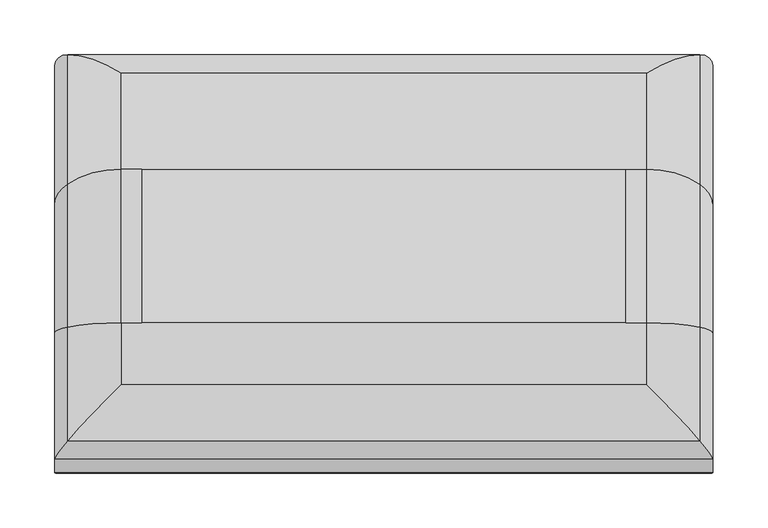
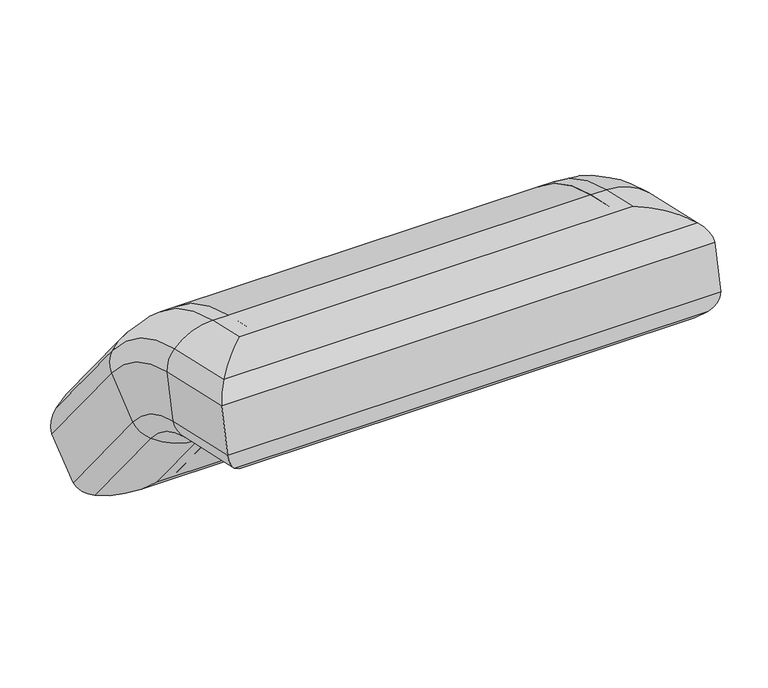
"""IFC4 building model written with IfcOpenShell, lengths in millimetres: furniture geometry."""

import ifcopenshell
import ifcopenshell.guid

model = None  # the IFC model being written
_history = None  # IfcOwnerHistory: only IFC2X3 demands one
_inside = {}  # id of a spatial element -> (the spatial element, [elements in it])
_under = {}  # id of a project, library or spatial element -> (it, [spatial elements below it])
_declared = {}  # id of a project -> (the project, [libraries it declares])
_typed = {}  # id of a type object -> (the type object, [elements of that type])
_made_of = {}  # id of a material, layer set ... -> (it, [elements and type objects made of it])


def new_model(schema):
    """Start an empty IFC model of exactly this schema.

    Asked for "IFC4X3", IfcOpenShell would pick the latest addendum, in which some entities
    have other attributes; the version numbers below select the first issue.
    IFC2X3 requires an IfcOwnerHistory on every rooted entity: one is made here for all.
    """
    global model, _history
    if schema == "IFC4X3":
        model = ifcopenshell.file(schema_version=(4, 3, 0, 0))
    else:
        model = ifcopenshell.file(schema=schema)
    _inside.clear()
    _under.clear()
    _declared.clear()
    _typed.clear()
    _made_of.clear()
    _history = None
    if model.schema == "IFC2X3":
        org = make("IfcOrganization", Name="unknown")
        user = make(
            "IfcPersonAndOrganization",
            ThePerson=make("IfcPerson", FamilyName="unknown"),
            TheOrganization=org,
        )
        app = make(
            "IfcApplication",
            ApplicationDeveloper=org,
            Version="unknown",
            ApplicationFullName="unknown",
            ApplicationIdentifier="unknown",
        )
        _history = make(
            "IfcOwnerHistory",
            OwningUser=user,
            OwningApplication=app,
            ChangeAction="ADDED",
            CreationDate=0,
        )
    return model


def make(cls, **values):
    """One entity of the class cls with the attributes given. An attribute that is None is left unset."""
    return model.create_entity(
        cls, **{name: value for name, value in values.items() if value is not None}
    )


def rooted(cls, **values):
    """An entity with a GlobalId (a new one), such as an element, a storey or a relation."""
    return make(cls, GlobalId=ifcopenshell.guid.new(), OwnerHistory=_history, **values)


def si_unit(unit_type, name, prefix=None):
    """IfcSIUnit, for example si_unit("LENGTHUNIT", "METRE", prefix="MILLI")."""
    return make("IfcSIUnit", UnitType=unit_type, Prefix=prefix, Name=name)


def assignment(units):
    """IfcUnitAssignment: the units of a project."""
    return None if units is None else make("IfcUnitAssignment", Units=units)


def point(xyz):
    """IfcCartesianPoint."""
    return None if xyz is None else make("IfcCartesianPoint", Coordinates=xyz)


def direction(xyz):
    """IfcDirection."""
    return None if xyz is None else make("IfcDirection", DirectionRatios=xyz)


def frame(location, z_axis=None, x_axis=None):
    """IfcAxis2Placement3D, a coordinate frame: its origin and axes. An axis left out is left unset."""
    return make(
        "IfcAxis2Placement3D",
        Location=point(location),
        Axis=direction(z_axis),
        RefDirection=direction(x_axis),
    )


def origin():
    """The frame at (0, 0, 0) with its axes left unset."""
    return frame((0.0, 0.0, 0.0))


def place(relative_to, where):
    """IfcLocalPlacement: puts the frame where relative to a parent placement (None: the world)."""
    return make(
        "IfcLocalPlacement", PlacementRelTo=relative_to, RelativePlacement=where
    )


def context(
    kind, dimensions, precision=None, world=None, true_north=None, identifier=None
):
    """IfcGeometricRepresentationContext, for example the 3D "Model" context."""
    return make(
        "IfcGeometricRepresentationContext",
        ContextIdentifier=identifier,
        ContextType=kind,
        CoordinateSpaceDimension=dimensions,
        Precision=precision,
        WorldCoordinateSystem=world,
        TrueNorth=true_north,
    )


def project(units=None, contexts=None):
    """IfcProject with its units and contexts."""
    return rooted(
        "IfcProject",
        Name="project",
        RepresentationContexts=contexts,
        UnitsInContext=assignment(units),
    )


def spatial(cls, under=None, at=None, **own):
    """A site, building, storey or space (cls), placed at a placement, below another one or the project."""
    s = rooted(cls, ObjectPlacement=at, **own)
    if under is not None:
        _under.setdefault(under.id(), (under, []))[1].append(s)
    return s


def polyline(points):
    """IfcPolyline through the points."""
    return make("IfcPolyline", Points=[point(p) for p in points])


def circle_curve(where, radius):
    """IfcCircle in the frame where."""
    return make("IfcCircle", Position=where, Radius=radius)


def ellipse_curve(where, semi_axis1, semi_axis2):
    """IfcEllipse in the frame where."""
    return make(
        "IfcEllipse", Position=where, SemiAxis1=semi_axis1, SemiAxis2=semi_axis2
    )


def trimmed(basis, trim1, trim2, sense, master):
    """IfcTrimmedCurve: the piece of a basis curve between two trims."""
    return make(
        "IfcTrimmedCurve",
        BasisCurve=basis,
        Trim1=trim1,
        Trim2=trim2,
        SenseAgreement=sense,
        MasterRepresentation=master,
    )


def shape(context_of_items, identifier, shape_type, items):
    """IfcShapeRepresentation: the items that make up one representation, for example the "Body"."""
    return make(
        "IfcShapeRepresentation",
        ContextOfItems=context_of_items,
        RepresentationIdentifier=identifier,
        RepresentationType=shape_type,
        Items=items,
    )


def source(mapping_origin, context_of_items, identifier, shape_type, items):
    """IfcRepresentationMap: a shape defined once, which mapped items show again and again."""
    return make(
        "IfcRepresentationMap",
        MappingOrigin=mapping_origin,
        MappedRepresentation=shape(context_of_items, identifier, shape_type, items),
    )


def transform(
    local_origin,
    x_axis=None,
    y_axis=None,
    z_axis=None,
    scale=None,
    scale2=None,
    scale3=None,
    uniform=True,
):
    """IfcCartesianTransformationOperator3D, or its non-uniform kind. x_axis, y_axis, z_axis: its Axis1, 2, 3."""
    if uniform:
        return make(
            "IfcCartesianTransformationOperator3D",
            Axis1=direction(x_axis),
            Axis2=direction(y_axis),
            LocalOrigin=point(local_origin),
            Scale=scale,
            Axis3=direction(z_axis),
        )
    return make(
        "IfcCartesianTransformationOperator3DnonUniform",
        Axis1=direction(x_axis),
        Axis2=direction(y_axis),
        LocalOrigin=point(local_origin),
        Scale=scale,
        Axis3=direction(z_axis),
        Scale2=scale2,
        Scale3=scale3,
    )


def mapped(mapping_source, mapping_target):
    """IfcMappedItem: shows the shape of a source again, moved by a transform."""
    return make(
        "IfcMappedItem", MappingSource=mapping_source, MappingTarget=mapping_target
    )


def made_of(thing, what):
    """Note that an element or type object is made of a material, layer set ...; save() writes the relation."""
    if what is not None:
        _made_of.setdefault(what.id(), (what, []))[1].append(thing)
    return thing


def element(
    cls,
    number,
    at=None,
    inside=None,
    cuts=None,
    type_object=None,
    material=None,
    context=None,
    identifier="Body",
    shape_type=None,
    held_by="IfcProductDefinitionShape",
    body=None,
    shapes=None,
    **own,
):
    """One element of the class cls, such as IfcWall. Its Tag is "e" and its number.

    at: its placement. inside: the storey or other place that contains it. cuts: it is an
    opening in that element (IfcRelVoidsElement). A single representation is given by context,
    identifier, shape_type and body (its items); several are given by shapes. held_by: the class
    of the entity that holds the representations. save() writes the other relations.
    """
    e = rooted(cls, Tag="e%d" % number, ObjectPlacement=at, **own)
    if body is not None:
        shapes = [shape(context, identifier, shape_type, body)]
    if shapes is not None:
        e.Representation = make(held_by, Representations=shapes)
    if inside is not None:
        _inside.setdefault(inside.id(), (inside, []))[1].append(e)
    if cuts is not None:
        rooted(
            "IfcRelVoidsElement", RelatingBuildingElement=cuts, RelatedOpeningElement=e
        )
    if type_object is not None:
        _typed.setdefault(type_object.id(), (type_object, []))[1].append(e)
    return made_of(e, material)


def aggregate(whole, parts):
    """IfcRelAggregates: a whole, such as a stair, and the parts it consists of."""
    return rooted("IfcRelAggregates", RelatingObject=whole, RelatedObjects=parts)


def save(model, path):
    """Write the relations noted so far, then the file.

    IfcRelAggregates (storeys below a building ...), IfcRelContainedInSpatialStructure (elements
    in a storey), IfcRelDefinesByType, IfcRelAssociatesMaterial and IfcRelDeclares: one each for
    every whole, place, type object, material and project.
    """
    for whole, parts in _under.values():
        aggregate(whole, parts)
    for where, things in _inside.values():
        rooted(
            "IfcRelContainedInSpatialStructure",
            RelatedElements=things,
            RelatingStructure=where,
        )
    for kind, things in _typed.values():
        rooted("IfcRelDefinesByType", RelatedObjects=things, RelatingType=kind)
    for what, things in _made_of.values():
        rooted("IfcRelAssociatesMaterial", RelatedObjects=things, RelatingMaterial=what)
    for by, libraries in _declared.values():
        rooted("IfcRelDeclares", RelatingContext=by, RelatedDefinitions=libraries)
    model.write(path)


def plane_surface(at):
    """IfcPlane: the flat surface through the origin of the frame at, square to its z axis."""
    return make("IfcPlane", Position=at)


def cylinder_surface(at, radius):
    """IfcCylindricalSurface: all points at the distance radius from the z axis of the frame at."""
    return make("IfcCylindricalSurface", Position=at, Radius=radius)


def revolved_surface(curve, axis_point, axis_direction):
    """IfcSurfaceOfRevolution: the curve turned about the line through axis_point along axis_direction."""
    return make(
        "IfcSurfaceOfRevolution",
        SweptCurve=make("IfcArbitraryOpenProfileDef", ProfileType="CURVE", Curve=curve),
        AxisPosition=make("IfcAxis1Placement", Location=point(axis_point), Axis=direction(axis_direction)),
    )


def advanced_brep(points, edges, surfaces, faces):
    """IfcAdvancedBrep: a solid bounded by faces that lie on surfaces and meet in shared edges.

    An edge is (start, end): straight between two places in points (the first is 0);
    or (start, end, curve); or (start, end, curve, False) where it runs against its curve.
    A face is (place in surfaces, loops), or (place, loops, False) where it looks against
    its surface's normal. A loop lists edges by number (the first is 1), with a minus sign
    where the edge is run from its end to its start. The first loop is the outer one.
    """
    corners = [point(p) for p in points]
    vertices = [make("IfcVertexPoint", VertexGeometry=c) for c in corners]
    made = []
    for start, end, *more in edges:
        made.append(
            make(
                "IfcEdgeCurve",
                EdgeStart=vertices[start],
                EdgeEnd=vertices[end],
                EdgeGeometry=more[0] if more else make("IfcPolyline", Points=[corners[start], corners[end]]),
                SameSense=more[1] if len(more) > 1 else True,
            )
        )
    hull = []
    for where, loops, *sense in faces:
        bounds = []
        for j, loop in enumerate(loops):
            ring = [make("IfcOrientedEdge", EdgeElement=made[abs(k) - 1], Orientation=k > 0) for k in loop]
            bounds.append(
                make(
                    "IfcFaceOuterBound" if j == 0 else "IfcFaceBound",
                    Bound=make("IfcEdgeLoop", EdgeList=ring),
                    Orientation=True,
                )
            )
        hull.append(make("IfcAdvancedFace", Bounds=bounds, FaceSurface=surfaces[where], SameSense=sense[0] if sense else True))
    return make("IfcAdvancedBrep", Outer=make("IfcClosedShell", CfsFaces=hull))


def furniture_d2ed75e9(model_context):
    return source(origin(), model_context, "Body", "AdvancedBrep", [
        advanced_brep(
        [(615.9786011, 39.7050483, 709.8244582), (615.2922792, 8.2790068, 573.7033175), (615.2922792, 46.9310995, 564.9795644), (615.9786011, 77.6876591, 701.2518068), (548.1505077, -30.4149091, 707.2292663), (597.2994374, 21.484207, 713.9368907), (597.2994374, 77.6876591, 701.2518068), (548.1505077, 73.731527, 683.723481), (536.2146165, 68.6767714, 661.3275147), (536.2146165, -47.1126901, 687.4611234), (536.2724202, 55.9709225, 605.0320596), (536.2724202, -59.7621536, 631.1529422), (548.0428978, 50.958398, 582.823205), (548.0428978, -53.2930075, 606.3526818), (597.5722685, 46.9310995, 564.9795644), (597.5722685, -9.0062158, 577.6045814), (615.2922792, 110.3801795, 525.6791827), (615.9786011, 218.6856146, 613.9176251), (597.2994374, 218.6856146, 613.9176251), (615.9786011, 77.6876591, 701.2518068), (615.9786011, 218.6856146, 613.9176251), (548.1505077, 204.7545827, 602.5677556), (536.2146165, 186.9548838, 588.0660115), (536.2724202, 142.2128025, 551.6138098), (548.0428978, 124.5618149, 537.2332235), (597.5722685, 110.3801795, 525.6791827), (615.2922792, 186.8409174, 431.8299118), (615.9786011, 294.7128523, 520.6004402), (1060.4786011, 218.6856146, 613.9176251), (1079.1577649, 218.6856146, 613.9176251), (1079.1577649, 306.5111366, 506.119016), (597.2994374, 306.5111366, 506.119016), (548.1505077, 323.6239487, 456.6653797), (536.2146165, 313.3632938, 432.9100788), (536.2724202, 268.584702, 396.5026906), (548.0428978, 243.4991503, 391.2474208), (597.5722685, 198.0333737, 418.0920917), (1078.8849338, 198.0333737, 418.0920917), (1078.8849338, 110.3801795, 525.6791827), (1061.1649231, 110.3801795, 525.6791827), (1061.1649231, 186.8409174, 431.8299118), (1060.4786011, 186.8409174, 431.8299118), (1060.4786011, 110.3801795, 525.6791827), (615.9786011, 110.3801795, 525.6791827), (615.9786011, 186.8409174, 431.8299118), (1060.4786011, 294.7128523, 520.6004402), (1128.3066946, 323.6239487, 456.6653797), (1140.2425858, 313.3632938, 432.9100788), (1140.1847821, 268.584702, 396.5026906), (1128.4143044, 243.4991503, 391.2474208), (1060.4786011, 218.6856146, 613.9176251), (1128.3066946, 204.7545827, 602.5677556), (1140.2425858, 186.9548838, 588.0660115), (1140.1847821, 142.2128025, 551.6138098), (1128.4143044, 124.5618149, 537.2332235), (1061.1649231, 46.9310995, 564.9795644), (1060.4786011, 77.6876591, 701.2518068), (1060.4786011, 77.6876591, 701.2518068), (1079.1577649, 77.6876591, 701.2518068), (1128.3066946, 73.731527, 683.723481), (1140.2425858, 68.6767714, 661.3275147), (1140.1847821, 55.9709225, 605.0320596), (1128.4143044, 50.958398, 582.823205), (1078.8849338, 46.9310995, 564.9795644), (1061.1649231, 8.2790068, 573.7033175), (1060.4786011, 39.7050483, 709.8244582), (1079.1577649, 21.484207, 713.9368907), (1128.3066946, -30.4149091, 707.2292663), (1140.2425858, -47.1126901, 687.4611234), (1140.1847821, -59.7621536, 631.1529422), (1128.4143044, -53.2930075, 606.3526818), (1078.8849338, -9.0062158, 577.6045814), (615.9786011, 8.2790068, 573.7033175), (615.9786011, 46.9310995, 564.9795644), (1060.4786011, 46.9310995, 564.9795644), (1060.4786011, 8.2790068, 573.7033175)],
        [
            (0, 1),
            (1, 2),
            (2, 3),
            (3, 0),
            (4, 5, ellipse_curve(frame((597.2994374, 4.7079018, 639.6065766), z_axis=(-0.7071067811865457, 0.6897568122696828, -0.15567767960619114), x_axis=(-0.707106781186549, -0.6897568122696794, 0.1556776796061913)), 107.7630735, 76.2)),
            (5, 6),
            (6, 7, circle_curve(frame((597.2994374, 60.9113539, 626.9214928), z_axis=(0.0, -0.9754634386510158, 0.220161485857849), x_axis=(-0.004912767759913869, -0.22015882901148728, -0.975451667034932)), 76.2)),
            (7, 4),
            (7, 8, circle_curve(frame((570.0816075, 68.0109447, 658.3774545), z_axis=(0.0, -0.9754634386510158, 0.220161485857849), x_axis=(-0.004912767759913869, -0.22015882901148728, -0.975451667034932)), 34.0017538)),
            (8, 9),
            (9, 4, ellipse_curve(frame((570.0816075, -14.7425053, 677.0548563), z_axis=(-0.7071067811865457, 0.6897568122696828, -0.15567767960619114), x_axis=(-0.707106781186549, -0.6897568122696794, 0.1556776796061913)), 48.0857414, 34.0017538)),
            (8, 10, circle_curve(frame((855.7694958, 62.3943067, 633.491971), z_axis=(0.0, -0.9754634386510158, 0.220161485857849), x_axis=(-0.004912767759913869, -0.22015882901148728, -0.975451667034932)), 320.8264449)),
            (10, 11),
            (11, 9, ellipse_curve(frame((855.7694958, 258.3189466, 589.2719028), z_axis=(-0.7071067811865457, 0.6897568122696828, -0.15567767960619114), x_axis=(-0.707106781186549, -0.6897568122696794, 0.1556776796061913)), 453.7171095, 320.8264449)),
            (10, 12, circle_curve(frame((570.1634371, 56.6522903, 608.0509772), z_axis=(0.0, -0.9754634386510158, 0.220161485857849), x_axis=(-0.004912767759913869, -0.22015882901148728, -0.975451667034932)), 34.0320313)),
            (12, 13),
            (13, 11, ellipse_curve(frame((570.1634371, -26.0213379, 626.7103632), z_axis=(-0.7071067811865457, 0.6897568122696828, -0.15567767960619114), x_axis=(-0.707106781186549, -0.6897568122696794, 0.1556776796061913)), 48.1285601, 34.0320313)),
            (12, 14, circle_curve(frame((597.5722685, 63.7074048, 639.3098785), z_axis=(0.0, -0.9754634386510158, 0.220161485857849), x_axis=(-0.004912767759913869, -0.22015882901148728, -0.975451667034932)), 76.2)),
            (14, 15),
            (15, 13, ellipse_curve(frame((597.5722685, 7.7700894, 651.9348954), z_axis=(-0.7071067811865457, 0.6897568122696828, -0.15567767960619114), x_axis=(-0.707106781186549, -0.6897568122696794, 0.1556776796061913)), 107.7630735, 76.2)),
            (2, 16, circle_curve(frame((615.2922792, 21.7666417, 453.4840934), z_axis=(-1.0, 0.0, 0.0), x_axis=(0.0, 0.22016148585784867, 0.9754634386510159)), 114.3)),
            (16, 17),
            (17, 3, circle_curve(frame((615.9786011, 21.7666417, 453.4840934), z_axis=(1.0, 0.0, 0.0), x_axis=(0.0, 0.22016148585784867, 0.9754634386510159)), 254.0)),
            (18, 6, circle_curve(frame((597.2994374, 21.7666417, 453.4840934), z_axis=(1.0, 0.0, 0.0), x_axis=(0.0, 0.22016148585784867, 0.9754634386510159)), 254.0)),
            (6, 19),
            (19, 20, circle_curve(frame((615.9786011, 21.7666417, 453.4840934), z_axis=(-1.0, 0.0, 0.0), x_axis=(0.0, 0.22016148585784867, 0.9754634386510159)), 254.0)),
            (20, 18),
            (18, 21, circle_curve(frame((597.2994374, 159.6099227, 565.7875656), z_axis=(0.0, -0.6316280777099305, 0.775271546910151), x_axis=(-0.004912767759914781, -0.7752621911530315, -0.6316204554014522)), 76.2)),
            (21, 7, circle_curve(frame((548.1505077, 21.7666417, 453.4840934), z_axis=(1.0, 0.0, 0.0), x_axis=(0.0, 0.22016148585784867, 0.9754634386510159)), 236.0307711)),
            (21, 22, circle_curve(frame((570.0816075, 184.6102571, 586.1558007), z_axis=(0.0, -0.6316280777099303, 0.7752715469101511), x_axis=(-0.004912767759914781, -0.7752621911530315, -0.6316204554014521)), 34.0017538)),
            (22, 8, circle_curve(frame((536.2146165, 21.7666417, 453.4840934), z_axis=(1.0, 0.0, 0.0), x_axis=(0.0, 0.22016148585784867, 0.9754634386510159)), 213.0714623)),
            (22, 23, circle_curve(frame((855.7694958, 164.8319584, 570.0420547), z_axis=(0.0, -0.6316280777099305, 0.775271546910151), x_axis=(-0.004912767759914781, -0.7752621911530315, -0.6316204554014522)), 320.8264449)),
            (23, 10, circle_curve(frame((536.2724202, 21.7666417, 453.4840934), z_axis=(1.0, 0.0, 0.0), x_axis=(0.0, 0.22016148585784867, 0.9754634386510159)), 155.3599655)),
            (23, 24, circle_curve(frame((570.1634371, 144.6121552, 553.5686069), z_axis=(0.0, -0.6316280777099306, 0.7752715469101509), x_axis=(-0.004912767759914781, -0.7752621911530314, -0.6316204554014523)), 34.0320313)),
            (24, 12, circle_curve(frame((548.0428978, 21.7666417, 453.4840934), z_axis=(1.0, 0.0, 0.0), x_axis=(0.0, 0.22016148585784867, 0.9754634386510159)), 132.592475)),
            (24, 25, circle_curve(frame((597.5722685, 169.4558714, 573.8092422), z_axis=(0.0, -0.6316280777099301, 0.7752715469101512), x_axis=(-0.004912767759914781, -0.7752621911530317, -0.6316204554014518)), 76.2)),
            (25, 14, circle_curve(frame((597.5722685, 21.7666417, 453.4840934), z_axis=(1.0, 0.0, 0.0), x_axis=(0.0, 0.22016148585784867, 0.9754634386510159)), 114.3)),
            (2, 14),
            (25, 16),
            (16, 26),
            (26, 27),
            (27, 17),
            (20, 28),
            (28, 29),
            (29, 30),
            (30, 31),
            (31, 18),
            (31, 32, ellipse_curve(frame((597.2994374, 247.4354447, 457.9889565), z_axis=(-0.7071067811865481, -0.44662849693651435, 0.5481997680811522), x_axis=(0.7071067811865468, -0.44662849693651635, 0.5481997680811523)), 107.7630735, 76.2)),
            (32, 21),
            (32, 33, ellipse_curve(frame((570.0816075, 289.6273246, 457.2559825), z_axis=(-0.7071067811865481, -0.44662849693651435, 0.5481997680811522), x_axis=(0.7071067811865468, -0.44662849693651635, 0.5481997680811523)), 48.0857414, 34.0017538)),
            (33, 22),
            (33, 34, ellipse_curve(frame((855.7694958, 89.4005342, 662.6279276), z_axis=(-0.7071067811865481, -0.44662849693651435, 0.5481997680811522), x_axis=(0.7071067811865468, -0.44662849693651635, 0.5481997680811523)), 453.7171095, 320.8264449)),
            (34, 23),
            (34, 35, ellipse_curve(frame((570.1634371, 249.5775369, 424.7322288), z_axis=(-0.7071067811865481, -0.44662849693651435, 0.5481997680811522), x_axis=(0.7071067811865468, -0.44662849693651635, 0.5481997680811523)), 48.1285601, 34.0320313)),
            (35, 24),
            (35, 36, ellipse_curve(frame((597.5722685, 257.1090656, 466.2221512), z_axis=(-0.7071067811865481, -0.44662849693651435, 0.5481997680811522), x_axis=(0.7071067811865468, -0.44662849693651635, 0.5481997680811523)), 107.7630735, 76.2)),
            (36, 25),
            (36, 37),
            (37, 38),
            (38, 39),
            (39, 40),
            (40, 41),
            (41, 42),
            (42, 43),
            (43, 44),
            (44, 26),
            (44, 27),
            (40, 45),
            (45, 41),
            (30, 46, ellipse_curve(frame((1079.1577649, 247.4354447, 457.9889565), z_axis=(-0.7071067811865469, 0.4466284969365162, -0.5481997680811523), x_axis=(-0.7071067811865481, -0.44662849693651424, 0.5481997680811523)), 107.7630735, 76.2)),
            (46, 32),
            (46, 47, ellipse_curve(frame((1106.3755948, 289.6273246, 457.2559825), z_axis=(-0.7071067811865469, 0.4466284969365162, -0.5481997680811523), x_axis=(-0.7071067811865481, -0.44662849693651424, 0.5481997680811523)), 48.0857414, 34.0017538)),
            (47, 33),
            (47, 48, ellipse_curve(frame((820.6877065, 89.4005342, 662.6279276), z_axis=(-0.7071067811865469, 0.4466284969365162, -0.5481997680811523), x_axis=(-0.7071067811865481, -0.44662849693651424, 0.5481997680811523)), 453.7171095, 320.8264449)),
            (48, 34),
            (48, 49, ellipse_curve(frame((1106.2937652, 249.5775369, 424.7322288), z_axis=(-0.7071067811865469, 0.4466284969365162, -0.5481997680811523), x_axis=(-0.7071067811865481, -0.44662849693651424, 0.5481997680811523)), 48.1285601, 34.0320313)),
            (49, 35),
            (49, 37, ellipse_curve(frame((1078.8849338, 257.1090656, 466.2221512), z_axis=(-0.7071067811865469, 0.4466284969365162, -0.5481997680811523), x_axis=(-0.7071067811865481, -0.44662849693651424, 0.5481997680811523)), 107.7630735, 76.2)),
            (39, 50),
            (50, 45),
            (29, 51, circle_curve(frame((1079.1577649, 159.6099227, 565.7875656), z_axis=(0.0, 0.6316280777099301, -0.775271546910151), x_axis=(0.004912767759911785, -0.7752621911530316, -0.631620455401452)), 76.2)),
            (51, 46),
            (51, 52, circle_curve(frame((1106.3755948, 184.6102571, 586.1558007), z_axis=(0.0, 0.6316280777099301, -0.775271546910151), x_axis=(0.004912767759911785, -0.7752621911530316, -0.631620455401452)), 34.0017538)),
            (52, 47),
            (52, 53, circle_curve(frame((820.6877065, 164.8319584, 570.0420547), z_axis=(0.0, 0.6316280777099301, -0.775271546910151), x_axis=(0.004912767759911785, -0.7752621911530316, -0.631620455401452)), 320.8264449)),
            (53, 48),
            (53, 54, circle_curve(frame((1106.2937652, 144.6121552, 553.5686069), z_axis=(0.0, 0.6316280777099301, -0.775271546910151), x_axis=(0.004912767759911785, -0.7752621911530316, -0.631620455401452)), 34.0320312)),
            (54, 49),
            (54, 38, circle_curve(frame((1078.8849338, 169.4558714, 573.8092422), z_axis=(0.0, 0.6316280777099301, -0.775271546910151), x_axis=(0.004912767759911785, -0.7752621911530316, -0.631620455401452)), 76.2)),
            (39, 55, circle_curve(frame((1061.1649231, 21.7666417, 453.4840934), z_axis=(1.0, 0.0, 0.0), x_axis=(0.0, 0.7752715469101549, 0.6316280777099254)), 114.3)),
            (55, 56),
            (56, 50, circle_curve(frame((1060.4786011, 21.7666417, 453.4840934), z_axis=(-1.0, 0.0, 0.0), x_axis=(0.0, 0.7752715469101549, 0.6316280777099254)), 254.0)),
            (28, 57, circle_curve(frame((1060.4786011, 21.7666417, 453.4840934), z_axis=(1.0, 0.0, 0.0), x_axis=(0.0, 0.7752715469101549, 0.6316280777099254)), 254.0)),
            (57, 58),
            (58, 29, circle_curve(frame((1079.1577649, 21.7666417, 453.4840934), z_axis=(-1.0, 0.0, 0.0), x_axis=(0.0, 0.7752715469101549, 0.6316280777099254)), 254.0)),
            (58, 59, circle_curve(frame((1079.1577649, 60.9113539, 626.9214928), z_axis=(0.0, 0.9754634386510159, -0.22016148585784945), x_axis=(0.004912767759912694, -0.2201588290114877, -0.975451667034932)), 76.2)),
            (59, 51, circle_curve(frame((1128.3066946, 21.7666417, 453.4840934), z_axis=(-1.0, 0.0, 0.0), x_axis=(0.0, 0.7752715469101549, 0.6316280777099254)), 236.0307711)),
            (59, 60, circle_curve(frame((1106.3755948, 68.0109447, 658.3774545), z_axis=(0.0, 0.975463438651016, -0.22016148585784906), x_axis=(0.004912767759912694, -0.22015882901148726, -0.9754516670349321)), 34.0017538)),
            (60, 52, circle_curve(frame((1140.2425858, 21.7666417, 453.4840934), z_axis=(-1.0, 0.0, 0.0), x_axis=(0.0, 0.7752715469101549, 0.6316280777099254)), 213.0714623)),
            (60, 61, circle_curve(frame((820.6877065, 62.3943067, 633.491971), z_axis=(0.0, 0.9754634386510161, -0.22016148585784817), x_axis=(0.004912767759912694, -0.22015882901148642, -0.9754516670349322)), 320.8264449)),
            (61, 53, circle_curve(frame((1140.1847821, 21.7666417, 453.4840934), z_axis=(-1.0, 0.0, 0.0), x_axis=(0.0, 0.7752715469101549, 0.6316280777099254)), 155.3599655)),
            (61, 62, circle_curve(frame((1106.2937652, 56.6522903, 608.0509772), z_axis=(0.0, 0.9754634386510168, -0.22016148585784562), x_axis=(0.004912767759912694, -0.22015882901148387, -0.9754516670349329)), 34.0320313)),
            (62, 54, circle_curve(frame((1128.4143044, 21.7666417, 453.4840934), z_axis=(-1.0, 0.0, 0.0), x_axis=(0.0, 0.7752715469101549, 0.6316280777099254)), 132.592475)),
            (62, 63, circle_curve(frame((1078.8849338, 63.7074048, 639.3098785), z_axis=(0.0, 0.9754634386510173, -0.22016148585784384), x_axis=(0.004912767759912694, -0.22015882901148204, -0.9754516670349334)), 76.2)),
            (63, 38, circle_curve(frame((1078.8849338, 21.7666417, 453.4840934), z_axis=(-1.0, 0.0, 0.0), x_axis=(0.0, 0.7752715469101549, 0.6316280777099254)), 114.3)),
            (63, 55),
            (55, 64),
            (64, 65),
            (65, 56),
            (5, 66),
            (66, 58),
            (57, 19),
            (66, 67, ellipse_curve(frame((1079.1577649, 4.7079018, 639.6065766), z_axis=(0.7071067811865492, 0.6897568122696793, -0.15567767960619158), x_axis=(-0.7071067811865459, 0.6897568122696827, -0.15567767960619144)), 107.7630735, 76.2)),
            (67, 59),
            (67, 68, ellipse_curve(frame((1106.3755948, -14.7425053, 677.0548563), z_axis=(0.7071067811865492, 0.6897568122696793, -0.15567767960619158), x_axis=(-0.7071067811865459, 0.6897568122696827, -0.15567767960619144)), 48.0857414, 34.0017538)),
            (68, 60),
            (68, 69, ellipse_curve(frame((820.6877065, 258.3189466, 589.2719028), z_axis=(0.7071067811865492, 0.6897568122696793, -0.15567767960619158), x_axis=(-0.7071067811865459, 0.6897568122696827, -0.15567767960619144)), 453.7171095, 320.8264449)),
            (69, 61),
            (69, 70, ellipse_curve(frame((1106.2937652, -26.0213379, 626.7103632), z_axis=(0.7071067811865492, 0.6897568122696793, -0.15567767960619158), x_axis=(-0.7071067811865459, 0.6897568122696827, -0.15567767960619144)), 48.1285601, 34.0320313)),
            (70, 62),
            (70, 71, ellipse_curve(frame((1078.8849338, 7.7700894, 651.9348954), z_axis=(0.7071067811865492, 0.6897568122696793, -0.15567767960619158), x_axis=(-0.7071067811865459, 0.6897568122696827, -0.15567767960619144)), 107.7630735, 76.2)),
            (71, 63),
            (1, 72),
            (72, 73),
            (73, 74),
            (74, 75),
            (75, 64),
            (71, 15),
            (0, 72),
            (75, 65),
            (4, 67),
            (9, 68),
            (11, 69),
            (13, 70),
            (74, 42, circle_curve(frame((1060.4786011, 21.7666417, 453.4840934), z_axis=(-1.0, 0.0, 0.0), x_axis=(0.0, 1.0, 0.0)), 114.3)),
            (43, 73, circle_curve(frame((615.9786011, 21.7666417, 453.4840934), z_axis=(1.0, 0.0, 0.0), x_axis=(0.0, 1.0, 0.0)), 114.3)),
        ],
        [
            plane_surface(frame((615.2922792, 8.2790068, 573.7033175), z_axis=(0.9999879322836538, -0.0010816022496983094, -0.00479222533236896), x_axis=(0.0, 0.975463438651016, -0.22016148585784845))),
            cylinder_surface(frame((597.2994374, 22.9287431, 635.4941442), z_axis=(0.0, -0.9754634386510158, 0.220161485857849), x_axis=(-0.004912767759913869, -0.22015882901148728, -0.975451667034932)), 76.2),
            cylinder_surface(frame((570.0816075, 30.0283339, 666.9501059), z_axis=(0.0, -0.9754634386510158, 0.220161485857849), x_axis=(-0.004912767759913869, -0.22015882901148728, -0.975451667034932)), 34.0017538),
            cylinder_surface(frame((855.7694958, 24.4116959, 642.0646224), z_axis=(0.0, -0.9754634386510158, 0.220161485857849), x_axis=(-0.004912767759913869, -0.22015882901148728, -0.975451667034932)), 320.8264449),
            cylinder_surface(frame((570.1634371, 18.6696796, 616.6236286), z_axis=(0.0, -0.9754634386510158, 0.220161485857849), x_axis=(-0.004912767759913869, -0.22015882901148728, -0.975451667034932)), 34.0320313),
            cylinder_surface(frame((597.5722685, 25.724794, 647.8825299), z_axis=(0.0, -0.9754634386510158, 0.220161485857849), x_axis=(-0.004912767759913869, -0.22015882901148728, -0.975451667034932)), 76.2),
            revolved_surface(polyline([(615.2922792, 46.9310995, 564.9795644), (615.9786011, 77.6876591, 701.2518068)]), (615.9786011, 21.7666417, 453.4840934), (-1.0, 0.0, 0.0)),
            cylinder_surface(frame((615.9786011, 21.7666417, 453.4840934), z_axis=(-1.0, 0.0, 0.0), x_axis=(0.0, 0.22016148585784867, 0.9754634386510159)), 254.0),
            revolved_surface(trimmed(ellipse_curve(frame((597.2994374, 60.9113539, 626.9214928), z_axis=(0.0, -0.9754634386510161, 0.22016148585784864), x_axis=(-0.004912767759913872, -0.2201588290114869, -0.9754516670349321)), 76.2, 76.2), [point((597.2994374, 77.6876591, 701.2518068))], [point((548.1505077, 73.731527, 683.723481))], True, "CARTESIAN"), (615.9786011, 21.7666417, 453.4840934), (-1.0, 0.0, 0.0)),
            revolved_surface(trimmed(ellipse_curve(frame((570.0816075, 68.0109447, 658.3774545), z_axis=(0.0, -0.9754634386510161, 0.22016148585784864), x_axis=(-0.004912767759913872, -0.2201588290114869, -0.9754516670349321)), 34.0017538, 34.0017538), [point((548.1505077, 73.731527, 683.723481))], [point((536.2146165, 68.6767714, 661.3275147))], True, "CARTESIAN"), (615.9786011, 21.7666417, 453.4840934), (-1.0, 0.0, 0.0)),
            revolved_surface(trimmed(ellipse_curve(frame((855.7694958, 62.3943067, 633.491971), z_axis=(0.0, -0.9754634386510161, 0.22016148585784864), x_axis=(-0.004912767759913872, -0.2201588290114869, -0.9754516670349321)), 320.8264449, 320.8264449), [point((536.2146165, 68.6767714, 661.3275147))], [point((536.2724202, 55.9709225, 605.0320596))], True, "CARTESIAN"), (615.9786011, 21.7666417, 453.4840934), (-1.0, 0.0, 0.0)),
            revolved_surface(trimmed(ellipse_curve(frame((570.1634371, 56.6522903, 608.0509772), z_axis=(0.0, -0.9754634386510161, 0.22016148585784864), x_axis=(-0.004912767759913872, -0.2201588290114869, -0.9754516670349321)), 34.0320313, 34.0320313), [point((536.2724202, 55.9709225, 605.0320596))], [point((548.0428978, 50.958398, 582.823205))], True, "CARTESIAN"), (615.9786011, 21.7666417, 453.4840934), (-1.0, 0.0, 0.0)),
            revolved_surface(trimmed(ellipse_curve(frame((597.5722685, 63.7074048, 639.3098785), z_axis=(0.0, -0.9754634386510161, 0.22016148585784864), x_axis=(-0.004912767759913872, -0.2201588290114869, -0.9754516670349321)), 76.2, 76.2), [point((548.0428978, 50.958398, 582.823205))], [point((597.5722685, 46.9310995, 564.9795644))], True, "CARTESIAN"), (615.9786011, 21.7666417, 453.4840934), (-1.0, 0.0, 0.0)),
            revolved_surface(polyline([(597.5722685, 46.9310995335521, 564.9795644378112), (615.2922792, 46.9310995335521, 564.9795644378112)]), (615.9786011, 21.7666417, 453.4840934), (-1.0, 0.0, 0.0)),
            plane_surface(frame((615.2922792, 110.3801795, 525.6791827), z_axis=(0.9999879322836538, -0.0038087290608324292, -0.00310304205642313), x_axis=(0.0, 0.6316280777099301, -0.7752715469101511))),
            plane_surface(frame((615.9786011, 218.6856146, 613.9176251), z_axis=(0.0, 0.7752715469101509, 0.6316280777099305), x_axis=(0.0, 0.6316280777099305, -0.7752715469101509))),
            cylinder_surface(frame((597.2994374, 159.6099227, 565.7875656), z_axis=(0.0, -0.6316280777099303, 0.7752715469101509), x_axis=(-0.004912767759914779, -0.7752621911530314, -0.6316204554014522)), 76.2),
            cylinder_surface(frame((570.0816075, 184.6102571, 586.1558007), z_axis=(0.0, -0.6316280777099303, 0.7752715469101509), x_axis=(-0.004912767759914779, -0.7752621911530314, -0.6316204554014522)), 34.0017538),
            cylinder_surface(frame((855.7694958, 164.8319584, 570.0420547), z_axis=(0.0, -0.6316280777099303, 0.7752715469101509), x_axis=(-0.004912767759914779, -0.7752621911530314, -0.6316204554014522)), 320.8264449),
            cylinder_surface(frame((570.1634371, 144.6121552, 553.5686069), z_axis=(0.0, -0.6316280777099303, 0.7752715469101509), x_axis=(-0.004912767759914779, -0.7752621911530314, -0.6316204554014522)), 34.0320313),
            cylinder_surface(frame((597.5722685, 169.4558714, 573.8092422), z_axis=(0.0, -0.6316280777099303, 0.7752715469101509), x_axis=(-0.004912767759914779, -0.7752621911530314, -0.6316204554014522)), 76.2),
            plane_surface(frame((597.5722685, 110.3801795, 525.6791827), z_axis=(0.0, -0.7752715469101515, -0.6316280777099295), x_axis=(0.0, 0.6316280777099295, -0.7752715469101515))),
            plane_surface(frame((615.2922792, 186.8409174, 431.8299118), z_axis=(0.0, -0.6354291844622827, 0.7721591490966085), x_axis=(1.0, 0.0, 0.0))),
            cylinder_surface(frame((615.9786011, 247.4354447, 457.9889565), z_axis=(-1.0, 0.0, 0.0), x_axis=(0.0, -0.7721591490966022, -0.6354291844622904)), 76.2),
            cylinder_surface(frame((615.9786011, 289.6273246, 457.2559825), z_axis=(-1.0, 0.0, 0.0), x_axis=(0.0, -0.7721591490966022, -0.6354291844622904)), 34.0017538),
            cylinder_surface(frame((615.9786011, 89.4005342, 662.6279276), z_axis=(-1.0, 0.0, 0.0), x_axis=(0.0, -0.7721591490966022, -0.6354291844622904)), 320.8264449),
            cylinder_surface(frame((615.9786011, 249.5775369, 424.7322288), z_axis=(-1.0, 0.0, 0.0), x_axis=(0.0, -0.7721591490966022, -0.6354291844622904)), 34.0320313),
            cylinder_surface(frame((615.9786011, 257.1090656, 466.2221512), z_axis=(-1.0, 0.0, 0.0), x_axis=(0.0, -0.7721591490966022, -0.6354291844622904)), 76.2),
            plane_surface(frame((1061.1649231, 186.8409174, 431.8299118), z_axis=(-0.9999879322836539, -0.0038087290608287186, -0.0031030420564229877), x_axis=(0.0, -0.6316280777099296, 0.7752715469101515))),
            cylinder_surface(frame((1079.1577649, 235.6371604, 472.4703807), z_axis=(0.0, 0.6316280777099302, -0.7752715469101512), x_axis=(0.004912767759911785, -0.7752621911530316, -0.631620455401452)), 76.2),
            cylinder_surface(frame((1106.3755948, 260.6374948, 492.8386158), z_axis=(0.0, 0.6316280777099302, -0.7752715469101512), x_axis=(0.004912767759911785, -0.7752621911530316, -0.631620455401452)), 34.0017538),
            cylinder_surface(frame((820.6877065, 240.859196, 476.7248697), z_axis=(0.0, 0.6316280777099302, -0.7752715469101512), x_axis=(0.004912767759911785, -0.7752621911530316, -0.631620455401452)), 320.8264449),
            cylinder_surface(frame((1106.2937652, 220.6393929, 460.2514219), z_axis=(0.0, 0.6316280777099302, -0.7752715469101512), x_axis=(0.004912767759911785, -0.7752621911530316, -0.631620455401452)), 34.0320313),
            cylinder_surface(frame((1078.8849338, 245.483109, 480.4920572), z_axis=(0.0, 0.6316280777099302, -0.7752715469101512), x_axis=(0.004912767759911785, -0.7752621911530316, -0.631620455401452)), 76.2),
            revolved_surface(polyline([(1061.1649231, 110.3801795, 525.6791827), (1060.4786011, 218.6856146, 613.9176251)]), (1060.4786011, 21.7666417, 453.4840934), (1.0, 0.0, 0.0)),
            cylinder_surface(frame((1060.4786011, 21.7666417, 453.4840934), z_axis=(1.0, 0.0, 0.0), x_axis=(0.0, 0.7752715469101549, 0.6316280777099254)), 254.0),
            revolved_surface(trimmed(ellipse_curve(frame((1079.1577649, 159.6099227, 565.7875656), z_axis=(0.0, 0.6316280777099252, -0.7752715469101552), x_axis=(0.004912767759911785, -0.7752621911530356, -0.6316204554014471)), 76.2, 76.2), [point((1079.1577649, 218.6856146, 613.9176251))], [point((1128.3066946, 204.7545827, 602.5677556))], True, "CARTESIAN"), (1060.4786011, 21.7666417, 453.4840934), (1.0, 0.0, 0.0)),
            revolved_surface(trimmed(ellipse_curve(frame((1106.3755948, 184.6102571, 586.1558007), z_axis=(0.0, 0.6316280777099252, -0.7752715469101552), x_axis=(0.004912767759911785, -0.7752621911530356, -0.6316204554014471)), 34.0017538, 34.0017538), [point((1128.3066946, 204.7545827, 602.5677556))], [point((1140.2425858, 186.9548838, 588.0660115))], True, "CARTESIAN"), (1060.4786011, 21.7666417, 453.4840934), (1.0, 0.0, 0.0)),
            revolved_surface(trimmed(ellipse_curve(frame((820.6877065, 164.8319584, 570.0420547), z_axis=(0.0, 0.6316280777099252, -0.7752715469101552), x_axis=(0.004912767759911785, -0.7752621911530356, -0.6316204554014471)), 320.8264449, 320.8264449), [point((1140.2425858, 186.9548838, 588.0660115))], [point((1140.1847821, 142.2128025, 551.6138098))], True, "CARTESIAN"), (1060.4786011, 21.7666417, 453.4840934), (1.0, 0.0, 0.0)),
            revolved_surface(trimmed(ellipse_curve(frame((1106.2937652, 144.6121552, 553.5686069), z_axis=(0.0, 0.6316280777099252, -0.7752715469101552), x_axis=(0.004912767759911785, -0.7752621911530356, -0.6316204554014471)), 34.0320313, 34.0320313), [point((1140.1847821, 142.2128025, 551.6138098))], [point((1128.4143044, 124.5618149, 537.2332235))], True, "CARTESIAN"), (1060.4786011, 21.7666417, 453.4840934), (1.0, 0.0, 0.0)),
            revolved_surface(trimmed(ellipse_curve(frame((1078.8849338, 169.4558714, 573.8092422), z_axis=(0.0, 0.6316280777099252, -0.7752715469101552), x_axis=(0.004912767759911785, -0.7752621911530356, -0.6316204554014471)), 76.2, 76.2), [point((1128.4143044, 124.5618149, 537.2332235))], [point((1078.8849338, 110.3801795, 525.6791827))], True, "CARTESIAN"), (1060.4786011, 21.7666417, 453.4840934), (1.0, 0.0, 0.0)),
            revolved_surface(polyline([(1078.8849338, 110.3801795118307, 525.6791826822445), (1061.1649231, 110.3801795118307, 525.6791826822445)]), (1060.4786011, 21.7666417, 453.4840934), (1.0, 0.0, 0.0)),
            plane_surface(frame((1061.1649231, 46.9310995, 564.9795644), z_axis=(-0.9999879322836538, -0.0010816022496914007, -0.0047922253323693445), x_axis=(0.0, -0.9754634386510156, 0.22016148585785003))),
            plane_surface(frame((1060.4786011, 77.6876591, 701.2518068), z_axis=(0.0, 0.220161485857851, 0.9754634386510155), x_axis=(0.0, -0.9754634386510155, 0.220161485857851))),
            cylinder_surface(frame((1079.1577649, 60.9113539, 626.9214928), z_axis=(0.0, 0.9754634386510157, -0.22016148585784942), x_axis=(0.004912767759912695, -0.22015882901148773, -0.9754516670349319)), 76.2),
            cylinder_surface(frame((1106.3755948, 68.0109447, 658.3774545), z_axis=(0.0, 0.9754634386510157, -0.22016148585784942), x_axis=(0.004912767759912695, -0.22015882901148773, -0.9754516670349319)), 34.0017538),
            cylinder_surface(frame((820.6877065, 62.3943067, 633.491971), z_axis=(0.0, 0.9754634386510157, -0.22016148585784942), x_axis=(0.004912767759912695, -0.22015882901148773, -0.9754516670349319)), 320.8264449),
            cylinder_surface(frame((1106.2937652, 56.6522903, 608.0509772), z_axis=(0.0, 0.9754634386510157, -0.22016148585784942), x_axis=(0.004912767759912695, -0.22015882901148773, -0.9754516670349319)), 34.0320313),
            cylinder_surface(frame((1078.8849338, 63.7074048, 639.3098785), z_axis=(0.0, 0.9754634386510157, -0.22016148585784942), x_axis=(0.004912767759912695, -0.22015882901148773, -0.9754516670349319)), 76.2),
            plane_surface(frame((1078.8849338, 46.9310995, 564.9795644), z_axis=(0.0, -0.22016148585784912, -0.9754634386510159), x_axis=(0.0, -0.9754634386510159, 0.22016148585784912))),
            plane_surface(frame((1061.1649231, 8.2790068, 573.7033175), z_axis=(0.0, 0.9743700647852372, -0.22495105434385643), x_axis=(-1.0, 0.0, 0.0))),
            cylinder_surface(frame((1060.4786011, 4.7079018, 639.6065766), z_axis=(1.0000000000000002, 0.0, 0.0), x_axis=(0.0, -0.2249510543438661, -0.974370064785235)), 76.2),
            cylinder_surface(frame((1060.4786011, -14.7425053, 677.0548563), z_axis=(1.0000000000000002, 0.0, 0.0), x_axis=(0.0, -0.2249510543438661, -0.974370064785235)), 34.0017538),
            cylinder_surface(frame((1060.4786011, 258.3189466, 589.2719028), z_axis=(1.0000000000000002, 0.0, 0.0), x_axis=(0.0, -0.2249510543438661, -0.974370064785235)), 320.8264449),
            cylinder_surface(frame((1060.4786011, -26.0213379, 626.7103632), z_axis=(1.0000000000000002, 0.0, 0.0), x_axis=(0.0, -0.2249510543438661, -0.974370064785235)), 34.0320313),
            cylinder_surface(frame((1060.4786011, 7.7700894, 651.9348954), z_axis=(1.0000000000000002, 0.0, 0.0), x_axis=(0.0, -0.2249510543438661, -0.974370064785235)), 76.2),
            plane_surface(frame((1060.4786011, 3.9319334, 717.8984278), z_axis=(1.0000000000000002, 0.0, 0.0), x_axis=(0.0, -0.9754634386510158, 0.2201614858578494))),
            plane_surface(frame((615.9786011, 3.9319334, 717.8984278), z_axis=(-1.0000000000000002, 0.0, 0.0), x_axis=(0.0, 0.9754634386510158, -0.2201614858578494))),
            cylinder_surface(frame((615.9786011, 21.7666417, 453.4840934), z_axis=(1.0, 0.0, 0.0), x_axis=(0.0, 1.0, 0.0)), 254.0),
            revolved_surface(polyline([(615.9786011, 136.0666417, 453.4840934), (1060.4786011, 136.0666417, 453.4840934)]), (615.9786011, 21.7666417, 453.4840934), (-1.0, 0.0, 0.0)),
        ],
        [
            (0, [[1, 2, 3, 4]]),
            (1, [[5, 6, 7, 8]]),
            (2, [[-8, 9, 10, 11]]),
            (3, [[-10, 12, 13, 14]]),
            (4, [[-13, 15, 16, 17]]),
            (5, [[-16, 18, 19, 20]]),
            (6, [[-3, 21, 22, 23]]),
            (7, [[24, 25, 26, 27]]),
            (8, [[-7, -24, 28, 29]]),
            (9, [[-9, -29, 30, 31]]),
            (10, [[-12, -31, 32, 33]]),
            (11, [[-15, -33, 34, 35]]),
            (12, [[-18, -35, 36, 37]]),
            (13, [[-21, 38, -37, 39]]),
            (14, [[-22, 40, 41, 42]]),
            (15, [[-27, 43, 44, 45, 46, 47]]),
            (16, [[-28, -47, 48, 49]]),
            (17, [[-30, -49, 50, 51]]),
            (18, [[-32, -51, 52, 53]]),
            (19, [[-34, -53, 54, 55]]),
            (20, [[-36, -55, 56, 57]]),
            (21, [[-39, -57, 58, 59, 60, 61, 62, 63, 64, 65, 66, -40]]),
            (22, [[-41, -66, 67]]),
            (22, [[68, 69, -62]]),
            (23, [[-46, 70, 71, -48]]),
            (24, [[-50, -71, 72, 73]]),
            (25, [[-52, -73, 74, 75]]),
            (26, [[-54, -75, 76, 77]]),
            (27, [[-56, -77, 78, -58]]),
            (28, [[-61, 79, 80, -68]]),
            (29, [[-45, 81, 82, -70]]),
            (30, [[-72, -82, 83, 84]]),
            (31, [[-74, -84, 85, 86]]),
            (32, [[-76, -86, 87, 88]]),
            (33, [[-59, -78, -88, 89]]),
            (34, [[-79, 90, 91, 92]]),
            (35, [[-44, 93, 94, 95]]),
            (36, [[-81, -95, 96, 97]]),
            (37, [[-83, -97, 98, 99]]),
            (38, [[-85, -99, 100, 101]]),
            (39, [[-87, -101, 102, 103]]),
            (40, [[-89, -103, 104, 105]]),
            (41, [[-60, -105, 106, -90]]),
            (42, [[-91, 107, 108, 109]]),
            (43, [[-6, 110, 111, -94, 112, -25]]),
            (44, [[-96, -111, 113, 114]]),
            (45, [[-98, -114, 115, 116]]),
            (46, [[-100, -116, 117, 118]]),
            (47, [[-102, -118, 119, 120]]),
            (48, [[-104, -120, 121, 122]]),
            (49, [[-2, 123, 124, 125, 126, 127, -107, -106, -122, 128, -19, -38]]),
            (50, [[-1, 129, -123]]),
            (50, [[-108, -127, 130]]),
            (51, [[-5, 131, -113, -110]]),
            (52, [[-11, 132, -115, -131]]),
            (53, [[-14, 133, -117, -132]]),
            (54, [[-17, 134, -119, -133]]),
            (55, [[-20, -128, -121, -134]]),
            (56, [[-126, 135, -63, -69, -80, -92, -109, -130]]),
            (57, [[-65, 136, -124, -129, -4, -23, -42, -67]]),
            (58, [[-112, -93, -43, -26]]),
            (59, [[-135, -125, -136, -64]]),
        ],
    ),
    ])


if __name__ == "__main__":
    model = new_model("IFC4")
    model_context = context("Model", 3, world=origin())
    ifc_project = project(units=[si_unit("LENGTHUNIT", "METRE", prefix="MILLI")], contexts=[model_context])
    site = spatial("IfcSite", under=ifc_project)
    building = spatial("IfcBuilding", under=site)
    placement = place(None, origin())
    furniture_shape = furniture_d2ed75e9(model_context)
    element("IfcFurniture", 1, at=placement, inside=building, context=model_context, shape_type="MappedRepresentation", body=[
        mapped(furniture_shape, transform((0.0, 0.0, 0.0), x_axis=(1.0, 0.0, 0.0), y_axis=(0.0, 1.0, 0.0), z_axis=(0.0, 0.0, 1.0))),
    ])
    save(model, "model.ifc")
